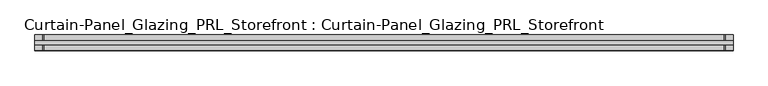
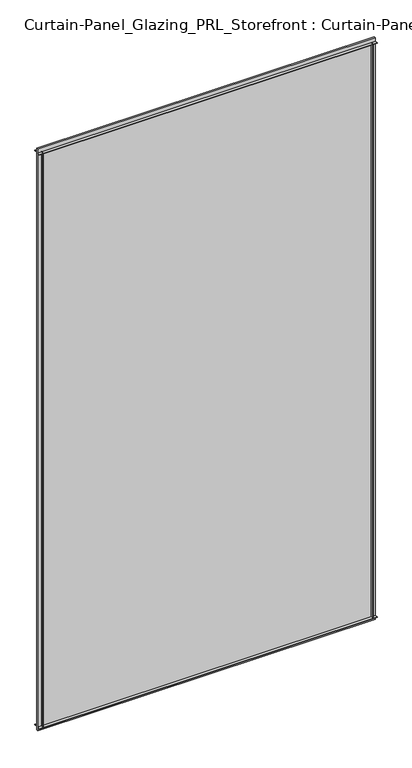
"""IFC4 building model written with IfcOpenShell, lengths in millimetres: plate geometry, Curtain-Panel_Glazing_PRL_Storefront : Curtain-Panel_Glazing_PRL_Storefront."""

from ifc_helpers import new_model, si_unit, frame, origin, origin_with_axes, place, context, project, spatial, polyline, outline, extrude, source, transform, mapped, element, save


def curtain_panel_glazing_prl_storefront_curtain_panel_glazing_a437d7f2(model_context):
    return source(origin(), model_context, "Body", "SweptSolid", [
        extrude(outline(polyline([(577.85, -12.7), (576.2625, -12.7), (576.2625, -3.175), (577.85, -3.175), (577.85, -12.7)])), frame((0.0, 0.0, 12.7), z_axis=(0.0, 0.0, 1.0), x_axis=(1.0, 0.0, 0.0)), (0.0, 0.0, 1.0), 2056.60625),
        extrude(outline(polyline([(577.85, 12.7), (577.85, 3.175), (576.2625, 3.175), (576.2625, 12.7), (577.85, 12.7)])), frame((0.0, 0.0, 12.7), z_axis=(0.0, 0.0, 1.0), x_axis=(1.0, 0.0, 0.0)), (0.0, 0.0, 1.0), 2056.60625),
        extrude(outline(polyline([(-539.75, -12.7), (-539.75, -3.175), (-538.1625, -3.175), (-538.1625, -12.7), (-539.75, -12.7)])), frame((0.0, 0.0, 12.7), z_axis=(0.0, 0.0, 1.0), x_axis=(1.0, 0.0, 0.0)), (0.0, 0.0, 1.0), 2056.60625),
        extrude(outline(polyline([(-539.75, 12.7), (-538.1625, 12.7), (-538.1625, 3.175), (-539.75, 3.175), (-539.75, 12.7)])), frame((0.0, 0.0, 12.7), z_axis=(0.0, 0.0, 1.0), x_axis=(1.0, 0.0, 0.0)), (0.0, 0.0, 1.0), 2056.60625),
        extrude(outline(polyline([(590.55, 3.175), (590.55, -3.175), (-552.45, -3.175), (-552.45, 3.175), (590.55, 3.175)])), origin_with_axes(), (0.0, 0.0, 1.0), 2082.00625),
        extrude(outline(polyline([(-552.45, -12.7), (-552.45, -3.175), (590.55, -3.175), (590.55, -12.7), (-552.45, -12.7)])), frame((0.0, 0.0, 2067.71875), z_axis=(0.0, 0.0, 1.0), x_axis=(1.0, 0.0, 0.0)), (0.0, 0.0, 1.0), 1.5875),
        extrude(outline(polyline([(-552.45, 12.7), (590.55, 12.7), (590.55, 3.175), (-552.45, 3.175), (-552.45, 12.7)])), frame((0.0, 0.0, 2067.71875), z_axis=(0.0, 0.0, 1.0), x_axis=(1.0, 0.0, 0.0)), (0.0, 0.0, 1.0), 1.5875),
        extrude(outline(polyline([(-552.45, -12.7), (-552.45, -3.175), (590.55, -3.175), (590.55, -12.7), (-552.45, -12.7)])), frame((0.0, 0.0, 12.7), z_axis=(0.0, 0.0, 1.0), x_axis=(1.0, 0.0, 0.0)), (0.0, 0.0, 1.0), 1.5875),
        extrude(outline(polyline([(-552.45, 12.7), (590.55, 12.7), (590.55, 3.175), (-552.45, 3.175), (-552.45, 12.7)])), frame((0.0, 0.0, 12.7), z_axis=(0.0, 0.0, 1.0), x_axis=(1.0, 0.0, 0.0)), (0.0, 0.0, 1.0), 1.5875),
    ])


if __name__ == "__main__":
    model = new_model("IFC4")
    model_context = context("Model", 3, world=origin())
    ifc_project = project(units=[si_unit("LENGTHUNIT", "METRE", prefix="MILLI")], contexts=[model_context])
    site = spatial("IfcSite", under=ifc_project)
    building = spatial("IfcBuilding", under=site)
    placement = place(None, origin())
    curtain_panel_glazing_prl_storefront_curtain_panel_glazing_shape = curtain_panel_glazing_prl_storefront_curtain_panel_glazing_a437d7f2(model_context)
    element("IfcPlate", 1, ObjectType="Curtain-Panel_Glazing_PRL_Storefront : Curtain-Panel_Glazing_PRL_Storefront", at=placement, inside=building, context=model_context, shape_type="MappedRepresentation", body=[
        mapped(curtain_panel_glazing_prl_storefront_curtain_panel_glazing_shape, transform((0.0, 0.0, 0.0), x_axis=(1.0, 0.0, 0.0), y_axis=(0.0, 1.0, 0.0), z_axis=(0.0, 0.0, 1.0))),
    ])
    save(model, "model.ifc")
